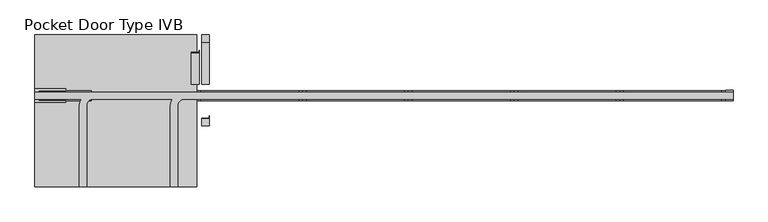
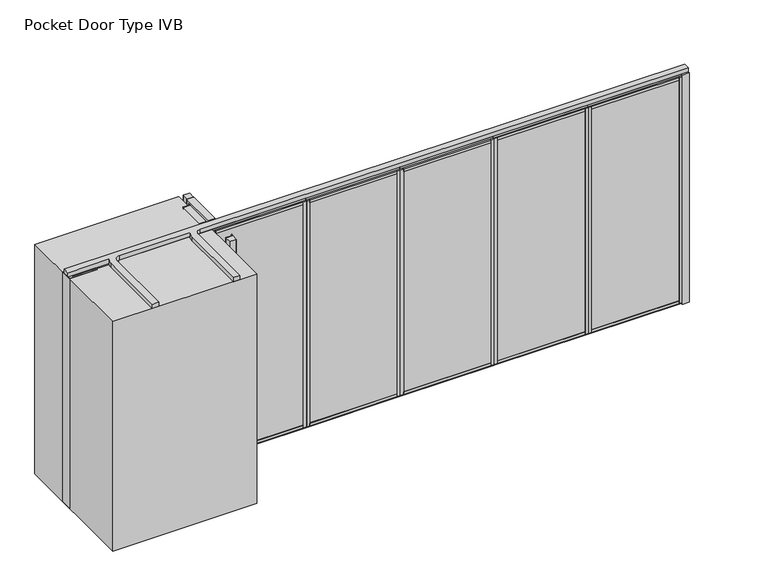
"""IFC4 building model written with IfcOpenShell, lengths in millimetres: proxy geometry, Pocket Door Type IVB."""

from ifc_helpers import new_model, si_unit, point, frame, frame_2d, origin, origin_with_axes, place, context, project, spatial, polyline, circle_curve, trimmed, segment, composite_curve, outline, extrude, source, transform, mapped, element, save


def pocket_door_type_ivb_51514b65(model_context):
    return source(origin(), model_context, "Body", "SweptSolid", [
        extrude(outline(polyline([(3361.101883, 34.13125), (4423.4039664, 34.13125), (4423.4039664, -34.13125), (3361.101883, -34.13125), (3361.101883, 34.13125)])), origin_with_axes(), (0.0, 0.0, 1.0), 22.225),
        extrude(outline(polyline([(3361.101883, 34.13125), (4423.4039664, 34.13125), (4423.4039664, -34.13125), (3361.101883, -34.13125), (3361.101883, 34.13125)])), frame((0.0, 0.0, 2720.975), z_axis=(0.0, 0.0, 1.0), x_axis=(1.0, 0.0, 0.0)), (0.0, 0.0, 1.0), 22.225),
        extrude(outline(polyline([(3396.280883, -50.8), (3361.355883, -50.8), (3361.355883, 50.8), (3396.280883, 50.8), (3396.280883, -50.8)])), frame((0.0, 0.0, 22.225), z_axis=(0.0, 0.0, 1.0), x_axis=(1.0, 0.0, 0.0)), (0.0, 0.0, 1.0), 2698.75),
        extrude(outline(polyline([(4388.2249664, -50.8), (4388.2249664, 50.8), (4423.1499664, 50.8), (4423.1499664, -50.8), (4388.2249664, -50.8)])), frame((0.0, 0.0, 22.225), z_axis=(0.0, 0.0, 1.0), x_axis=(1.0, 0.0, 0.0)), (0.0, 0.0, 1.0), 2698.75),
        extrude(outline(polyline([(0.0, 9.525), (1036.9020834, 9.525), (1036.9020834, 0.0), (0.0, 0.0), (0.0, 9.525)])), frame((4410.7039664, -36.5125, 52.3875), z_axis=(0.0, 1.4530598946293796e-12, 1.0), x_axis=(-1.0, 0.0, 0.0)), (0.0, 0.0, 1.0), 2638.425),
        extrude(outline(polyline([(0.0, 7.9375), (1036.9020834, 7.9375), (1036.9020834, 0.0), (0.0, 0.0), (0.0, 7.9375)])), frame((4410.7039664, 44.45, 52.3875), z_axis=(0.0, -1.775646296664526e-12, 1.0), x_axis=(-1.0, 0.0, 0.0)), (0.0, 0.0, 1.0), 2638.425),
        extrude(outline(polyline([(36.5125, 2605.0875), (-36.5125, 2605.0875), (-36.5125, 2690.8125), (-50.8, 2690.8125), (-50.8, 2720.975), (50.8, 2720.975), (50.8, 2690.8125), (36.5125, 2690.8125), (36.5125, 2605.0875)])), frame((3396.280883, 0.0, 0.0), z_axis=(1.0, 0.0, 0.0), x_axis=(0.0, 1.0, 0.0)), (0.0, 0.0, 1.0), 991.9440833),
        extrude(outline(polyline([(50.8, 22.225), (-50.8, 22.225), (-50.8, 52.3875), (-36.5125, 52.3875), (-36.5125, 138.1125), (36.5125, 138.1125), (36.5125, 52.3875), (50.8, 52.3875), (50.8, 22.225)])), frame((3396.280883, 0.0, 0.0), z_axis=(1.0, 0.0, 0.0), x_axis=(0.0, 1.0, 0.0)), (0.0, 0.0, 1.0), 991.9440833),
        extrude(outline(polyline([(2299.7522997, 34.13125), (3362.054383, 34.13125), (3362.054383, -34.13125), (2299.7522997, -34.13125), (2299.7522997, 34.13125)])), origin_with_axes(), (0.0, 0.0, 1.0), 22.225),
        extrude(outline(polyline([(2299.7522997, 34.13125), (3362.054383, 34.13125), (3362.054383, -34.13125), (2299.7522997, -34.13125), (2299.7522997, 34.13125)])), frame((0.0, 0.0, 2720.975), z_axis=(0.0, 0.0, 1.0), x_axis=(1.0, 0.0, 0.0)), (0.0, 0.0, 1.0), 22.225),
        extrude(outline(polyline([(2334.9312997, -50.8), (2300.0062997, -50.8), (2300.0062997, 50.8), (2334.9312997, 50.8), (2334.9312997, -50.8)])), frame((0.0, 0.0, 22.225), z_axis=(0.0, 0.0, 1.0), x_axis=(1.0, 0.0, 0.0)), (0.0, 0.0, 1.0), 2698.75),
        extrude(outline(polyline([(3326.875383, -50.8), (3326.875383, 50.8), (3361.800383, 50.8), (3361.800383, -50.8), (3326.875383, -50.8)])), frame((0.0, 0.0, 22.225), z_axis=(0.0, 0.0, 1.0), x_axis=(1.0, 0.0, 0.0)), (0.0, 0.0, 1.0), 2698.75),
        extrude(outline(polyline([(0.0, 9.525), (1036.9020833, 9.525), (1036.9020833, 0.0), (0.0, 0.0), (0.0, 9.525)])), frame((3349.354383, -36.5125, 52.3875), z_axis=(0.0, 1.4530598946293796e-12, 1.0), x_axis=(-1.0, 0.0, 0.0)), (0.0, 0.0, 1.0), 2638.425),
        extrude(outline(polyline([(0.0, 7.9375), (1036.9020833, 7.9375), (1036.9020833, 0.0), (0.0, 0.0), (0.0, 7.9375)])), frame((3349.354383, 44.45, 52.3875), z_axis=(0.0, -1.775646296664526e-12, 1.0), x_axis=(-1.0, 0.0, 0.0)), (0.0, 0.0, 1.0), 2638.425),
        extrude(outline(polyline([(36.5125, 2605.0875), (-36.5125, 2605.0875), (-36.5125, 2690.8125), (-50.8, 2690.8125), (-50.8, 2720.975), (50.8, 2720.975), (50.8, 2690.8125), (36.5125, 2690.8125), (36.5125, 2605.0875)])), frame((2334.9312997, 0.0, 0.0), z_axis=(1.0, 0.0, 0.0), x_axis=(0.0, 1.0, 0.0)), (0.0, 0.0, 1.0), 991.9440833),
        extrude(outline(polyline([(50.8, 22.225), (-50.8, 22.225), (-50.8, 52.3875), (-36.5125, 52.3875), (-36.5125, 138.1125), (36.5125, 138.1125), (36.5125, 52.3875), (50.8, 52.3875), (50.8, 22.225)])), frame((2334.9312997, 0.0, 0.0), z_axis=(1.0, 0.0, 0.0), x_axis=(0.0, 1.0, 0.0)), (0.0, 0.0, 1.0), 991.9440833),
        extrude(outline(polyline([(1238.4027164, 34.13125), (2300.7047997, 34.13125), (2300.7047997, -34.13125), (1238.4027164, -34.13125), (1238.4027164, 34.13125)])), origin_with_axes(), (0.0, 0.0, 1.0), 22.225),
        extrude(outline(polyline([(1238.4027164, 34.13125), (2300.7047997, 34.13125), (2300.7047997, -34.13125), (1238.4027164, -34.13125), (1238.4027164, 34.13125)])), frame((0.0, 0.0, 2720.975), z_axis=(0.0, 0.0, 1.0), x_axis=(1.0, 0.0, 0.0)), (0.0, 0.0, 1.0), 22.225),
        extrude(outline(polyline([(1273.5817164, -50.8), (1238.6567164, -50.8), (1238.6567164, 50.8), (1273.5817164, 50.8), (1273.5817164, -50.8)])), frame((0.0, 0.0, 22.225), z_axis=(0.0, 0.0, 1.0), x_axis=(1.0, 0.0, 0.0)), (0.0, 0.0, 1.0), 2698.75),
        extrude(outline(polyline([(2265.5257997, -50.8), (2265.5257997, 50.8), (2300.4507997, 50.8), (2300.4507997, -50.8), (2265.5257997, -50.8)])), frame((0.0, 0.0, 22.225), z_axis=(0.0, 0.0, 1.0), x_axis=(1.0, 0.0, 0.0)), (0.0, 0.0, 1.0), 2698.75),
        extrude(outline(polyline([(0.0, 9.525), (1036.9020833, 9.525), (1036.9020833, 0.0), (0.0, 0.0), (0.0, 9.525)])), frame((2288.0047997, -36.5125, 52.3875), z_axis=(0.0, 1.4530598946293796e-12, 1.0), x_axis=(-1.0, 0.0, 0.0)), (0.0, 0.0, 1.0), 2638.425),
        extrude(outline(polyline([(0.0, 7.9375), (1036.9020833, 7.9375), (1036.9020833, 0.0), (0.0, 0.0), (0.0, 7.9375)])), frame((2288.0047997, 44.45, 52.3875), z_axis=(0.0, -1.775646296664526e-12, 1.0), x_axis=(-1.0, 0.0, 0.0)), (0.0, 0.0, 1.0), 2638.425),
        extrude(outline(polyline([(36.5125, 2605.0875), (-36.5125, 2605.0875), (-36.5125, 2690.8125), (-50.8, 2690.8125), (-50.8, 2720.975), (50.8, 2720.975), (50.8, 2690.8125), (36.5125, 2690.8125), (36.5125, 2605.0875)])), frame((1273.5817164, 0.0, 0.0), z_axis=(1.0, 0.0, 0.0), x_axis=(0.0, 1.0, 0.0)), (0.0, 0.0, 1.0), 991.9440833),
        extrude(outline(polyline([(50.8, 22.225), (-50.8, 22.225), (-50.8, 52.3875), (-36.5125, 52.3875), (-36.5125, 138.1125), (36.5125, 138.1125), (36.5125, 52.3875), (50.8, 52.3875), (50.8, 22.225)])), frame((1273.5817164, 0.0, 0.0), z_axis=(1.0, 0.0, 0.0), x_axis=(0.0, 1.0, 0.0)), (0.0, 0.0, 1.0), 991.9440833),
        extrude(outline(polyline([(177.053133, 34.13125), (1239.3552164, 34.13125), (1239.3552164, -34.13125), (177.053133, -34.13125), (177.053133, 34.13125)])), origin_with_axes(), (0.0, 0.0, 1.0), 22.225),
        extrude(outline(polyline([(177.053133, 34.13125), (1239.3552164, 34.13125), (1239.3552164, -34.13125), (177.053133, -34.13125), (177.053133, 34.13125)])), frame((0.0, 0.0, 2720.975), z_axis=(0.0, 0.0, 1.0), x_axis=(1.0, 0.0, 0.0)), (0.0, 0.0, 1.0), 22.225),
        extrude(outline(polyline([(212.232133, -50.8), (177.307133, -50.8), (177.307133, 50.8), (212.232133, 50.8), (212.232133, -50.8)])), frame((0.0, 0.0, 22.225), z_axis=(0.0, 0.0, 1.0), x_axis=(1.0, 0.0, 0.0)), (0.0, 0.0, 1.0), 2698.75),
        extrude(outline(polyline([(1204.1762164, -50.8), (1204.1762164, 50.8), (1239.1012164, 50.8), (1239.1012164, -50.8), (1204.1762164, -50.8)])), frame((0.0, 0.0, 22.225), z_axis=(0.0, 0.0, 1.0), x_axis=(1.0, 0.0, 0.0)), (0.0, 0.0, 1.0), 2698.75),
        extrude(outline(polyline([(0.0, 9.525), (1036.9020834, 9.525), (1036.9020834, 0.0), (0.0, 0.0), (0.0, 9.525)])), frame((1226.6552164, -36.5125, 52.3875), z_axis=(0.0, 1.4530598946293796e-12, 1.0), x_axis=(-1.0, 0.0, 0.0)), (0.0, 0.0, 1.0), 2638.425),
        extrude(outline(polyline([(0.0, 7.9375), (1036.9020834, 7.9375), (1036.9020834, 0.0), (0.0, 0.0), (0.0, 7.9375)])), frame((1226.6552164, 44.45, 52.3875), z_axis=(0.0, -1.775646296664526e-12, 1.0), x_axis=(-1.0, 0.0, 0.0)), (0.0, 0.0, 1.0), 2638.425),
        extrude(outline(polyline([(36.5125, 2605.0875), (-36.5125, 2605.0875), (-36.5125, 2690.8125), (-50.8, 2690.8125), (-50.8, 2720.975), (50.8, 2720.975), (50.8, 2690.8125), (36.5125, 2690.8125), (36.5125, 2605.0875)])), frame((212.232133, 0.0, 0.0), z_axis=(1.0, 0.0, 0.0), x_axis=(0.0, 1.0, 0.0)), (0.0, 0.0, 1.0), 991.9440833),
        extrude(outline(polyline([(50.8, 22.225), (-50.8, 22.225), (-50.8, 52.3875), (-36.5125, 52.3875), (-36.5125, 138.1125), (36.5125, 138.1125), (36.5125, 52.3875), (50.8, 52.3875), (50.8, 22.225)])), frame((212.232133, 0.0, 0.0), z_axis=(1.0, 0.0, 0.0), x_axis=(0.0, 1.0, 0.0)), (0.0, 0.0, 1.0), 991.9440833),
        extrude(outline(polyline([(4422.4514664, 34.13125), (5484.7535497, 34.13125), (5484.7535497, -34.13125), (4422.4514664, -34.13125), (4422.4514664, 34.13125)])), origin_with_axes(), (0.0, 0.0, 1.0), 22.225),
        extrude(outline(polyline([(4422.4514664, 34.13125), (5484.7535497, 34.13125), (5484.7535497, -34.13125), (4422.4514664, -34.13125), (4422.4514664, 34.13125)])), frame((0.0, 0.0, 2720.975), z_axis=(0.0, 0.0, 1.0), x_axis=(1.0, 0.0, 0.0)), (0.0, 0.0, 1.0), 22.225),
        extrude(outline(polyline([(4457.6304664, -50.8), (4422.7054664, -50.8), (4422.7054664, 50.8), (4457.6304664, 50.8), (4457.6304664, -50.8)])), frame((0.0, 0.0, 22.225), z_axis=(0.0, 0.0, 1.0), x_axis=(1.0, 0.0, 0.0)), (0.0, 0.0, 1.0), 2698.75),
        extrude(outline(polyline([(5449.5745497, -50.8), (5449.5745497, 50.8), (5484.4995497, 50.8), (5484.4995497, -50.8), (5449.5745497, -50.8)])), frame((0.0, 0.0, 22.225), z_axis=(0.0, 0.0, 1.0), x_axis=(1.0, 0.0, 0.0)), (0.0, 0.0, 1.0), 2698.75),
        extrude(outline(polyline([(0.0, 9.525), (1036.9020833, 9.525), (1036.9020833, 0.0), (0.0, 0.0), (0.0, 9.525)])), frame((5472.0535497, -36.5125, 52.3875), z_axis=(0.0, 1.4530598946293796e-12, 1.0), x_axis=(-1.0, 0.0, 0.0)), (0.0, 0.0, 1.0), 2638.425),
        extrude(outline(polyline([(0.0, 7.9375), (1036.9020833, 7.9375), (1036.9020833, 0.0), (0.0, 0.0), (0.0, 7.9375)])), frame((5472.0535497, 44.45, 52.3875), z_axis=(0.0, -1.775646296664526e-12, 1.0), x_axis=(-1.0, 0.0, 0.0)), (0.0, 0.0, 1.0), 2638.425),
        extrude(outline(polyline([(36.5125, 2605.0875), (-36.5125, 2605.0875), (-36.5125, 2690.8125), (-50.8, 2690.8125), (-50.8, 2720.975), (50.8, 2720.975), (50.8, 2690.8125), (36.5125, 2690.8125), (36.5125, 2605.0875)])), frame((4457.6304664, 0.0, 0.0), z_axis=(1.0, 0.0, 0.0), x_axis=(0.0, 1.0, 0.0)), (0.0, 0.0, 1.0), 991.9440833),
        extrude(outline(polyline([(50.8, 22.225), (-50.8, 22.225), (-50.8, 52.3875), (-36.5125, 52.3875), (-36.5125, 138.1125), (36.5125, 138.1125), (36.5125, 52.3875), (50.8, 52.3875), (50.8, 22.225)])), frame((4457.6304664, 0.0, 0.0), z_axis=(1.0, 0.0, 0.0), x_axis=(0.0, 1.0, 0.0)), (0.0, 0.0, 1.0), 991.9440833),
        extrude(outline(polyline([(198.3785497, 434.975), (198.3785497, 457.2), (201.5535497, 457.2), (201.5535497, 431.8), (122.1785497, 431.8), (122.1785497, 434.975), (198.3785497, 434.975)])), origin_with_axes(), (0.0, 0.0, 1.0), 2743.2),
        extrude(outline(composite_curve([segment(trimmed(circle_curve(frame_2d((124.5117566, 429.4667931)), 2.3332069), [point((122.1785497, 429.4667931))], [point((124.5117566, 431.8))], False, "CARTESIAN"), True, "CONTINUOUS"), segment(polyline([(124.5117566, 431.8), (196.0453429, 431.8)]), True, "CONTINUOUS"), segment(trimmed(circle_curve(frame_2d((196.0453429, 429.4667931)), 2.3332069), [point((196.0453429, 431.8))], [point((198.3785497, 429.4667931))], False, "CARTESIAN"), True, "CONTINUOUS"), segment(polyline([(198.3785497, 429.4667931), (198.3785497, 116.6332069)]), True, "CONTINUOUS"), segment(trimmed(circle_curve(frame_2d((196.0453429, 116.6332069)), 2.3332069), [point((198.3785497, 116.6332069))], [point((196.0453429, 114.3))], False, "CARTESIAN"), True, "CONTINUOUS"), segment(polyline([(196.0453429, 114.3), (124.5117566, 114.3)]), True, "CONTINUOUS"), segment(trimmed(circle_curve(frame_2d((124.5117566, 116.6332069)), 2.3332069), [point((124.5117566, 114.3))], [point((122.1785497, 116.6332069))], False, "CARTESIAN"), True, "CONTINUOUS"), segment(polyline([(122.1785497, 116.6332069), (122.1785497, 429.4667931)]), True, "CONTINUOUS")], self_intersect=False)), origin_with_axes(), (0.0, 0.0, 1.0), 2743.2),
        extrude(outline(polyline([(299.9785497, -225.425), (299.9785497, -203.2), (303.1535497, -203.2), (303.1535497, -228.6), (223.7785497, -228.6), (223.7785497, -225.425), (299.9785497, -225.425)])), origin_with_axes(), (0.0, 0.0, 1.0), 2743.2),
        extrude(outline(composite_curve([segment(trimmed(circle_curve(frame_2d((297.6453429, -302.4667931)), 2.3332069), [point((299.9785497, -302.4667931))], [point((297.6453429, -304.8))], False, "CARTESIAN"), True, "CONTINUOUS"), segment(polyline([(297.6453429, -304.8), (226.1117566, -304.8)]), True, "CONTINUOUS"), segment(trimmed(circle_curve(frame_2d((226.1117566, -302.4667931)), 2.3332069), [point((226.1117566, -304.8))], [point((223.7785497, -302.4667931))], False, "CARTESIAN"), True, "CONTINUOUS"), segment(polyline([(223.7785497, -302.4667931), (223.7785497, -230.9332069)]), True, "CONTINUOUS"), segment(trimmed(circle_curve(frame_2d((226.1117566, -230.9332069)), 2.3332069), [point((223.7785497, -230.9332069))], [point((226.1117566, -228.6))], False, "CARTESIAN"), True, "CONTINUOUS"), segment(polyline([(226.1117566, -228.6), (297.6453429, -228.6)]), True, "CONTINUOUS"), segment(trimmed(circle_curve(frame_2d((297.6453429, -230.9332069)), 2.3332069), [point((297.6453429, -228.6))], [point((299.9785497, -230.9332069))], False, "CARTESIAN"), True, "CONTINUOUS"), segment(polyline([(299.9785497, -230.9332069), (299.9785497, -302.4667931)]), True, "CONTINUOUS")], self_intersect=False)), origin_with_axes(), (0.0, 0.0, 1.0), 2743.2),
        extrude(outline(composite_curve([segment(trimmed(circle_curve(frame_2d((297.6453429, 535.7332069)), 2.3332069), [point((299.9785497, 535.7332069))], [point((297.6453429, 533.4))], False, "CARTESIAN"), True, "CONTINUOUS"), segment(polyline([(297.6453429, 533.4), (226.1117566, 533.4)]), True, "CONTINUOUS"), segment(trimmed(circle_curve(frame_2d((226.1117566, 535.7332069)), 2.3332069), [point((226.1117566, 533.4))], [point((223.7785497, 535.7332069))], False, "CARTESIAN"), True, "CONTINUOUS"), segment(polyline([(223.7785497, 535.7332069), (223.7785497, 607.2667931)]), True, "CONTINUOUS"), segment(trimmed(circle_curve(frame_2d((226.1117566, 607.2667931)), 2.3332069), [point((223.7785497, 607.2667931))], [point((226.1117566, 609.6))], False, "CARTESIAN"), True, "CONTINUOUS"), segment(polyline([(226.1117566, 609.6), (297.6453429, 609.6)]), True, "CONTINUOUS"), segment(trimmed(circle_curve(frame_2d((297.6453429, 607.2667931)), 2.3332069), [point((297.6453429, 609.6))], [point((299.9785497, 607.2667931))], False, "CARTESIAN"), True, "CONTINUOUS"), segment(polyline([(299.9785497, 607.2667931), (299.9785497, 535.7332069)]), True, "CONTINUOUS")], self_intersect=False)), origin_with_axes(), (0.0, 0.0, 1.0), 2743.2),
        extrude(outline(composite_curve([segment(trimmed(circle_curve(frame_2d((297.6453429, 116.6332069)), 2.3332069), [point((299.9785497, 116.6332069))], [point((297.6453429, 114.3))], False, "CARTESIAN"), True, "CONTINUOUS"), segment(polyline([(297.6453429, 114.3), (226.1117566, 114.3)]), True, "CONTINUOUS"), segment(trimmed(circle_curve(frame_2d((226.1117566, 116.6332069)), 2.3332069), [point((226.1117566, 114.3))], [point((223.7785497, 116.6332069))], False, "CARTESIAN"), True, "CONTINUOUS"), segment(polyline([(223.7785497, 116.6332069), (223.7785497, 531.0667931)]), True, "CONTINUOUS"), segment(trimmed(circle_curve(frame_2d((226.1117566, 531.0667931)), 2.3332069), [point((223.7785497, 531.0667931))], [point((226.1117566, 533.4))], False, "CARTESIAN"), True, "CONTINUOUS"), segment(polyline([(226.1117566, 533.4), (297.6453429, 533.4)]), True, "CONTINUOUS"), segment(trimmed(circle_curve(frame_2d((297.6453429, 531.0667931)), 2.3332069), [point((297.6453429, 533.4))], [point((299.9785497, 531.0667931))], False, "CARTESIAN"), True, "CONTINUOUS"), segment(polyline([(299.9785497, 531.0667931), (299.9785497, 116.6332069)]), True, "CONTINUOUS")], self_intersect=False)), origin_with_axes(), (0.0, 0.0, 1.0), 2743.2),
        extrude(outline(polyline([(-1138.2964503, -68.2625), (-1449.4464503, -68.2625), (-1449.4464503, 68.2625), (-1138.2964503, 68.2625), (-1138.2964503, 50.8), (-1411.3464503, 50.8), (-1411.3464503, -50.8), (-1138.2964503, -50.8), (-1138.2964503, -68.2625)])), origin_with_axes(), (0.0, 0.0, 1.0), 2743.2),
        extrude(outline(polyline([(-884.2964503, -50.8), (-1182.7464503, -50.8), (-1182.7464503, 50.8), (-884.2964503, 50.8), (-884.2964503, -50.8)])), origin_with_axes(), (0.0, 0.0, 1.0), 2743.2),
        extrude(outline(polyline([(5560.9535497, -53.975), (5484.7535497, -53.975), (5484.7535497, 53.975), (5560.9535497, 53.975), (5560.9535497, -53.975)])), origin_with_axes(), (0.0, 0.0, 1.0), 2743.2),
        extrude(outline(polyline([(-884.2964503, 34.13125), (178.005633, 34.13125), (178.005633, -34.13125), (-884.2964503, -34.13125), (-884.2964503, 34.13125)])), origin_with_axes(), (0.0, 0.0, 1.0), 22.225),
        extrude(outline(polyline([(-884.2964503, 34.13125), (178.005633, 34.13125), (178.005633, -34.13125), (-884.2964503, -34.13125), (-884.2964503, 34.13125)])), frame((0.0, 0.0, 2720.975), z_axis=(0.0, 0.0, 1.0), x_axis=(1.0, 0.0, 0.0)), (0.0, 0.0, 1.0), 22.225),
        extrude(outline(polyline([(-849.1174503, -50.8), (-884.0424503, -50.8), (-884.0424503, 50.8), (-849.1174503, 50.8), (-849.1174503, -50.8)])), frame((0.0, 0.0, 22.225), z_axis=(0.0, 0.0, 1.0), x_axis=(1.0, 0.0, 0.0)), (0.0, 0.0, 1.0), 2698.75),
        extrude(outline(polyline([(142.826633, -50.8), (142.826633, 50.8), (177.751633, 50.8), (177.751633, -50.8), (142.826633, -50.8)])), frame((0.0, 0.0, 22.225), z_axis=(0.0, 0.0, 1.0), x_axis=(1.0, 0.0, 0.0)), (0.0, 0.0, 1.0), 2698.75),
        extrude(outline(polyline([(0.0, 9.525), (1036.9020833, 9.525), (1036.9020833, 0.0), (0.0, 0.0), (0.0, 9.525)])), frame((165.305633, -36.5125, 52.3875), z_axis=(0.0, 1.4530598946293796e-12, 1.0), x_axis=(-1.0, 0.0, 0.0)), (0.0, 0.0, 1.0), 2638.425),
        extrude(outline(polyline([(0.0, 7.9375), (1036.9020833, 7.9375), (1036.9020833, 0.0), (0.0, 0.0), (0.0, 7.9375)])), frame((165.305633, 44.45, 52.3875), z_axis=(0.0, -1.775646296664526e-12, 1.0), x_axis=(-1.0, 0.0, 0.0)), (0.0, 0.0, 1.0), 2638.425),
        extrude(outline(polyline([(36.5125, 2605.0875), (-36.5125, 2605.0875), (-36.5125, 2690.8125), (-50.8, 2690.8125), (-50.8, 2720.975), (50.8, 2720.975), (50.8, 2690.8125), (36.5125, 2690.8125), (36.5125, 2605.0875)])), frame((-849.1174503, 0.0, 0.0), z_axis=(1.0, 0.0, 0.0), x_axis=(0.0, 1.0, 0.0)), (0.0, 0.0, 1.0), 991.9440833),
        extrude(outline(polyline([(50.8, 22.225), (-50.8, 22.225), (-50.8, 52.3875), (-36.5125, 52.3875), (-36.5125, 138.1125), (36.5125, 138.1125), (36.5125, 52.3875), (50.8, 52.3875), (50.8, 22.225)])), frame((-849.1174503, 0.0, 0.0), z_axis=(1.0, 0.0, 0.0), x_axis=(0.0, 1.0, 0.0)), (0.0, 0.0, 1.0), 991.9440833),
        extrude(outline(polyline([(176.1535497, 609.6), (176.1535497, -914.4), (-1449.4464503, -914.4), (-1449.4464503, 609.6), (176.1535497, 609.6)])), origin_with_axes(), (0.0, 0.0, 1.0), 2743.2),
        extrude(outline(composite_curve([segment(polyline([(-1449.4464503, 35.71875), (5560.9535497, 35.71875), (5560.9535497, -35.71875), (49.1535497, -35.71875)]), True, "CONTINUOUS"), segment(trimmed(circle_curve(frame_2d((49.1535497, -101.6)), 65.88125), [point((49.1535497, -35.71875))], [point((-16.7277003, -101.6))], True, "CARTESIAN"), True, "CONTINUOUS"), segment(polyline([(-16.7277003, -101.6), (-16.7277003, -914.4), (-88.1652003, -914.4), (-88.1652003, -101.6)]), True, "CONTINUOUS"), segment(trimmed(circle_curve(frame_2d((49.1535497, -101.6)), 137.31875), [point((-88.1652003, -101.6))], [point((-71.3292291, -35.71875))], False, "CARTESIAN"), True, "CONTINUOUS"), segment(polyline([(-71.3292291, -35.71875), (-865.2464503, -35.71875)]), True, "CONTINUOUS"), segment(trimmed(circle_curve(frame_2d((-865.2464503, -101.6)), 65.88125), [point((-865.2464503, -35.71875))], [point((-931.1277003, -101.6))], True, "CARTESIAN"), True, "CONTINUOUS"), segment(polyline([(-931.1277003, -101.6), (-931.1277003, -914.4), (-1002.5652003, -914.4), (-1002.5652003, -101.6)]), True, "CONTINUOUS"), segment(trimmed(circle_curve(frame_2d((-865.2464503, -101.6)), 137.31875), [point((-1002.5652003, -101.6))], [point((-985.7292291, -35.71875))], False, "CARTESIAN"), True, "CONTINUOUS"), segment(polyline([(-985.7292291, -35.71875), (-1449.4464503, -35.71875), (-1449.4464503, 35.71875)]), True, "CONTINUOUS")], self_intersect=False)), frame((0.0, 0.0, 2743.2), z_axis=(0.0, 0.0, 1.0), x_axis=(1.0, 0.0, 0.0)), (0.0, 0.0, 1.0), 50.8),
    ])


if __name__ == "__main__":
    model = new_model("IFC4")
    model_context = context("Model", 3, world=origin())
    ifc_project = project(units=[si_unit("LENGTHUNIT", "METRE", prefix="MILLI")], contexts=[model_context])
    site = spatial("IfcSite", under=ifc_project)
    building = spatial("IfcBuilding", under=site)
    placement = place(None, origin())
    pocket_door_type_ivb_shape = pocket_door_type_ivb_51514b65(model_context)
    element("IfcBuildingElementProxy", 1, Name="Pocket Door Type IVB", ObjectType="Pocket Door Type IVB", at=placement, inside=building, context=model_context, shape_type="MappedRepresentation", body=[
        mapped(pocket_door_type_ivb_shape, transform((0.0, 0.0, 0.0), x_axis=(1.0, 0.0, 0.0), y_axis=(0.0, 1.0, 0.0), z_axis=(0.0, 0.0, 1.0))),
    ])
    save(model, "model.ifc")
